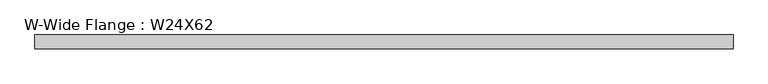
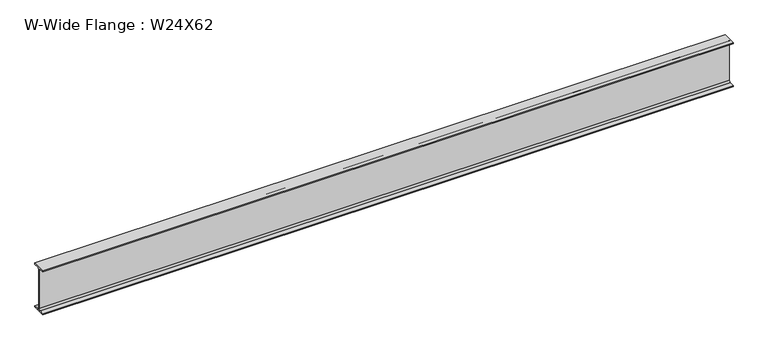
"""IFC4 building model written with IfcOpenShell, lengths in millimetres: beam geometry, W-Wide Flange : W24X62."""

import ifcopenshell
import ifcopenshell.guid

model = None  # the IFC model being written
_history = None  # IfcOwnerHistory: only IFC2X3 demands one
_inside = {}  # id of a spatial element -> (the spatial element, [elements in it])
_under = {}  # id of a project, library or spatial element -> (it, [spatial elements below it])
_declared = {}  # id of a project -> (the project, [libraries it declares])
_typed = {}  # id of a type object -> (the type object, [elements of that type])
_made_of = {}  # id of a material, layer set ... -> (it, [elements and type objects made of it])


def new_model(schema):
    """Start an empty IFC model of exactly this schema.

    Asked for "IFC4X3", IfcOpenShell would pick the latest addendum, in which some entities
    have other attributes; the version numbers below select the first issue.
    IFC2X3 requires an IfcOwnerHistory on every rooted entity: one is made here for all.
    """
    global model, _history
    if schema == "IFC4X3":
        model = ifcopenshell.file(schema_version=(4, 3, 0, 0))
    else:
        model = ifcopenshell.file(schema=schema)
    _inside.clear()
    _under.clear()
    _declared.clear()
    _typed.clear()
    _made_of.clear()
    _history = None
    if model.schema == "IFC2X3":
        org = make("IfcOrganization", Name="unknown")
        user = make(
            "IfcPersonAndOrganization",
            ThePerson=make("IfcPerson", FamilyName="unknown"),
            TheOrganization=org,
        )
        app = make(
            "IfcApplication",
            ApplicationDeveloper=org,
            Version="unknown",
            ApplicationFullName="unknown",
            ApplicationIdentifier="unknown",
        )
        _history = make(
            "IfcOwnerHistory",
            OwningUser=user,
            OwningApplication=app,
            ChangeAction="ADDED",
            CreationDate=0,
        )
    return model


def make(cls, **values):
    """One entity of the class cls with the attributes given. An attribute that is None is left unset."""
    return model.create_entity(
        cls, **{name: value for name, value in values.items() if value is not None}
    )


def rooted(cls, **values):
    """An entity with a GlobalId (a new one), such as an element, a storey or a relation."""
    return make(cls, GlobalId=ifcopenshell.guid.new(), OwnerHistory=_history, **values)


def si_unit(unit_type, name, prefix=None):
    """IfcSIUnit, for example si_unit("LENGTHUNIT", "METRE", prefix="MILLI")."""
    return make("IfcSIUnit", UnitType=unit_type, Prefix=prefix, Name=name)


def assignment(units):
    """IfcUnitAssignment: the units of a project."""
    return None if units is None else make("IfcUnitAssignment", Units=units)


def point(xyz):
    """IfcCartesianPoint."""
    return None if xyz is None else make("IfcCartesianPoint", Coordinates=xyz)


def direction(xyz):
    """IfcDirection."""
    return None if xyz is None else make("IfcDirection", DirectionRatios=xyz)


def frame(location, z_axis=None, x_axis=None):
    """IfcAxis2Placement3D, a coordinate frame: its origin and axes. An axis left out is left unset."""
    return make(
        "IfcAxis2Placement3D",
        Location=point(location),
        Axis=direction(z_axis),
        RefDirection=direction(x_axis),
    )


def frame_2d(location, x_axis=None):
    """IfcAxis2Placement2D, a coordinate frame in the plane: its origin and x axis."""
    return make(
        "IfcAxis2Placement2D", Location=point(location), RefDirection=direction(x_axis)
    )


def origin():
    """The frame at (0, 0, 0) with its axes left unset."""
    return frame((0.0, 0.0, 0.0))


def place(relative_to, where):
    """IfcLocalPlacement: puts the frame where relative to a parent placement (None: the world)."""
    return make(
        "IfcLocalPlacement", PlacementRelTo=relative_to, RelativePlacement=where
    )


def context(
    kind, dimensions, precision=None, world=None, true_north=None, identifier=None
):
    """IfcGeometricRepresentationContext, for example the 3D "Model" context."""
    return make(
        "IfcGeometricRepresentationContext",
        ContextIdentifier=identifier,
        ContextType=kind,
        CoordinateSpaceDimension=dimensions,
        Precision=precision,
        WorldCoordinateSystem=world,
        TrueNorth=true_north,
    )


def project(units=None, contexts=None):
    """IfcProject with its units and contexts."""
    return rooted(
        "IfcProject",
        Name="project",
        RepresentationContexts=contexts,
        UnitsInContext=assignment(units),
    )


def spatial(cls, under=None, at=None, **own):
    """A site, building, storey or space (cls), placed at a placement, below another one or the project."""
    s = rooted(cls, ObjectPlacement=at, **own)
    if under is not None:
        _under.setdefault(under.id(), (under, []))[1].append(s)
    return s


def polyline(points):
    """IfcPolyline through the points."""
    return make("IfcPolyline", Points=[point(p) for p in points])


def circle_curve(where, radius):
    """IfcCircle in the frame where."""
    return make("IfcCircle", Position=where, Radius=radius)


def trimmed(basis, trim1, trim2, sense, master):
    """IfcTrimmedCurve: the piece of a basis curve between two trims."""
    return make(
        "IfcTrimmedCurve",
        BasisCurve=basis,
        Trim1=trim1,
        Trim2=trim2,
        SenseAgreement=sense,
        MasterRepresentation=master,
    )


def segment(curve, same_sense, transition):
    """IfcCompositeCurveSegment."""
    return make(
        "IfcCompositeCurveSegment",
        Transition=transition,
        SameSense=same_sense,
        ParentCurve=curve,
    )


def composite_curve(segments, self_intersect=None):
    """IfcCompositeCurve: segments joined end to end."""
    return make("IfcCompositeCurve", Segments=segments, SelfIntersect=self_intersect)


def outline(outer, holes=None, kind="AREA"):
    """IfcArbitraryClosedProfileDef: a profile drawn as a closed curve; with holes, ...WithVoids."""
    if holes is None:
        return make("IfcArbitraryClosedProfileDef", ProfileType=kind, OuterCurve=outer)
    return make(
        "IfcArbitraryProfileDefWithVoids",
        ProfileType=kind,
        OuterCurve=outer,
        InnerCurves=holes,
    )


def extrude(swept, where, along, depth):
    """IfcExtrudedAreaSolid: the profile swept, set in the frame where, extruded along a direction by depth."""
    return make(
        "IfcExtrudedAreaSolid",
        SweptArea=swept,
        Position=where,
        ExtrudedDirection=direction(along),
        Depth=depth,
    )


def shape(context_of_items, identifier, shape_type, items):
    """IfcShapeRepresentation: the items that make up one representation, for example the "Body"."""
    return make(
        "IfcShapeRepresentation",
        ContextOfItems=context_of_items,
        RepresentationIdentifier=identifier,
        RepresentationType=shape_type,
        Items=items,
    )


def source(mapping_origin, context_of_items, identifier, shape_type, items):
    """IfcRepresentationMap: a shape defined once, which mapped items show again and again."""
    return make(
        "IfcRepresentationMap",
        MappingOrigin=mapping_origin,
        MappedRepresentation=shape(context_of_items, identifier, shape_type, items),
    )


def transform(
    local_origin,
    x_axis=None,
    y_axis=None,
    z_axis=None,
    scale=None,
    scale2=None,
    scale3=None,
    uniform=True,
):
    """IfcCartesianTransformationOperator3D, or its non-uniform kind. x_axis, y_axis, z_axis: its Axis1, 2, 3."""
    if uniform:
        return make(
            "IfcCartesianTransformationOperator3D",
            Axis1=direction(x_axis),
            Axis2=direction(y_axis),
            LocalOrigin=point(local_origin),
            Scale=scale,
            Axis3=direction(z_axis),
        )
    return make(
        "IfcCartesianTransformationOperator3DnonUniform",
        Axis1=direction(x_axis),
        Axis2=direction(y_axis),
        LocalOrigin=point(local_origin),
        Scale=scale,
        Axis3=direction(z_axis),
        Scale2=scale2,
        Scale3=scale3,
    )


def mapped(mapping_source, mapping_target):
    """IfcMappedItem: shows the shape of a source again, moved by a transform."""
    return make(
        "IfcMappedItem", MappingSource=mapping_source, MappingTarget=mapping_target
    )


def made_of(thing, what):
    """Note that an element or type object is made of a material, layer set ...; save() writes the relation."""
    if what is not None:
        _made_of.setdefault(what.id(), (what, []))[1].append(thing)
    return thing


def element(
    cls,
    number,
    at=None,
    inside=None,
    cuts=None,
    type_object=None,
    material=None,
    context=None,
    identifier="Body",
    shape_type=None,
    held_by="IfcProductDefinitionShape",
    body=None,
    shapes=None,
    **own,
):
    """One element of the class cls, such as IfcWall. Its Tag is "e" and its number.

    at: its placement. inside: the storey or other place that contains it. cuts: it is an
    opening in that element (IfcRelVoidsElement). A single representation is given by context,
    identifier, shape_type and body (its items); several are given by shapes. held_by: the class
    of the entity that holds the representations. save() writes the other relations.
    """
    e = rooted(cls, Tag="e%d" % number, ObjectPlacement=at, **own)
    if body is not None:
        shapes = [shape(context, identifier, shape_type, body)]
    if shapes is not None:
        e.Representation = make(held_by, Representations=shapes)
    if inside is not None:
        _inside.setdefault(inside.id(), (inside, []))[1].append(e)
    if cuts is not None:
        rooted(
            "IfcRelVoidsElement", RelatingBuildingElement=cuts, RelatedOpeningElement=e
        )
    if type_object is not None:
        _typed.setdefault(type_object.id(), (type_object, []))[1].append(e)
    return made_of(e, material)


def aggregate(whole, parts):
    """IfcRelAggregates: a whole, such as a stair, and the parts it consists of."""
    return rooted("IfcRelAggregates", RelatingObject=whole, RelatedObjects=parts)


def save(model, path):
    """Write the relations noted so far, then the file.

    IfcRelAggregates (storeys below a building ...), IfcRelContainedInSpatialStructure (elements
    in a storey), IfcRelDefinesByType, IfcRelAssociatesMaterial and IfcRelDeclares: one each for
    every whole, place, type object, material and project.
    """
    for whole, parts in _under.values():
        aggregate(whole, parts)
    for where, things in _inside.values():
        rooted(
            "IfcRelContainedInSpatialStructure",
            RelatedElements=things,
            RelatingStructure=where,
        )
    for kind, things in _typed.values():
        rooted("IfcRelDefinesByType", RelatedObjects=things, RelatingType=kind)
    for what, things in _made_of.values():
        rooted("IfcRelAssociatesMaterial", RelatedObjects=things, RelatingMaterial=what)
    for by, libraries in _declared.values():
        rooted("IfcRelDeclares", RelatingContext=by, RelatedDefinitions=libraries)
    model.write(path)


def w_wide_flange_w24x62_d1c417c1(model_context):
    return source(origin(), model_context, "Body", "SweptSolid", [
        extrude(outline(composite_curve([segment(polyline([(89.3960937, -285.9980469), (89.3960937, -300.9800781), (-89.3960938, -300.9800781), (-89.3960938, -285.9980469), (-28.575, -285.9980469)]), True, "CONTINUOUS"), segment(trimmed(circle_curve(frame_2d((-28.575, -262.8800781)), 23.1179687), [point((-28.575, -285.9980469))], [point((-5.4570313, -262.8800781))], True, "CARTESIAN"), True, "CONTINUOUS"), segment(polyline([(-5.4570313, -262.8800781), (-5.4570313, 262.8800781)]), True, "CONTINUOUS"), segment(trimmed(circle_curve(frame_2d((-28.575, 262.8800781)), 23.1179687), [point((-5.4570313, 262.8800781))], [point((-28.575, 285.9980469))], True, "CARTESIAN"), True, "CONTINUOUS"), segment(polyline([(-28.575, 285.9980469), (-89.3960938, 285.9980469), (-89.3960938, 300.9800781), (89.3960937, 300.9800781), (89.3960937, 285.9980469), (28.575, 285.9980469)]), True, "CONTINUOUS"), segment(trimmed(circle_curve(frame_2d((28.575, 262.8800781)), 23.1179687), [point((28.575, 285.9980469))], [point((5.4570312, 262.8800781))], True, "CARTESIAN"), True, "CONTINUOUS"), segment(polyline([(5.4570312, 262.8800781), (5.4570312, -262.8800781)]), True, "CONTINUOUS"), segment(trimmed(circle_curve(frame_2d((28.575, -262.8800781)), 23.1179687), [point((5.4570312, -262.8800781))], [point((28.575, -285.9980469))], True, "CARTESIAN"), True, "CONTINUOUS"), segment(polyline([(28.575, -285.9980469), (89.3960937, -285.9980469)]), True, "CONTINUOUS")], self_intersect=False)), frame((-4483.1, 0.0, 0.0), z_axis=(1.0, 0.0, 0.0), x_axis=(0.0, 1.0, 0.0)), (0.0, 0.0, 1.0), 8966.2),
    ])


if __name__ == "__main__":
    model = new_model("IFC4")
    model_context = context("Model", 3, world=origin())
    ifc_project = project(units=[si_unit("LENGTHUNIT", "METRE", prefix="MILLI")], contexts=[model_context])
    site = spatial("IfcSite", under=ifc_project)
    building = spatial("IfcBuilding", under=site)
    placement = place(None, origin())
    w_wide_flange_w24x62_shape = w_wide_flange_w24x62_d1c417c1(model_context)
    element("IfcBeam", 1, ObjectType="W-Wide Flange : W24X62", at=placement, inside=building, context=model_context, shape_type="MappedRepresentation", body=[
        mapped(w_wide_flange_w24x62_shape, transform((0.0, 0.0, 0.0), x_axis=(1.0, 0.0, 0.0), y_axis=(0.0, 1.0, 0.0), z_axis=(0.0, 0.0, 1.0))),
    ])
    save(model, "model.ifc")
